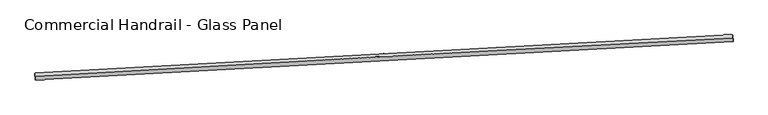
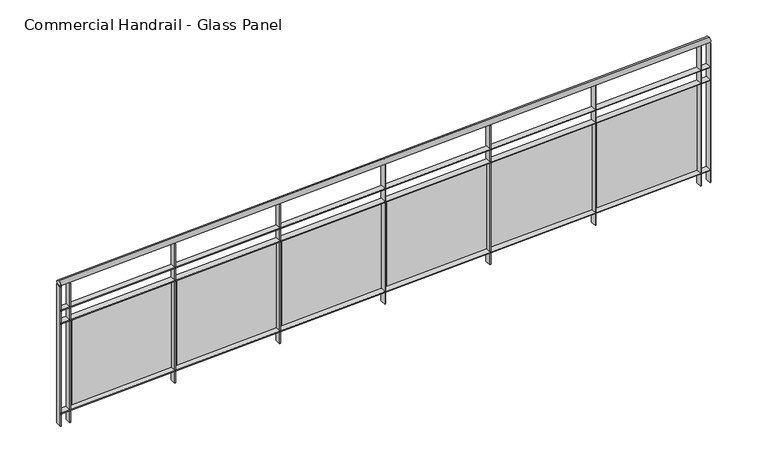
"""IFC4 building model written with IfcOpenShell, lengths in millimetres: railing geometry, Commercial Handrail - Glass Panel."""

from ifc_helpers import new_model, si_unit, point, frame, origin, place, context, project, spatial, polyline, circle_curve, ellipse_curve, trimmed, outline, extrude, source, transform, mapped, element, save
from ifc_brep_helpers import plane_surface, cylinder_surface, revolved_surface, advanced_brep


def commercial_handrail_glass_panel_aa71831e(model_context):
    return source(origin(), model_context, "Body", "SolidModel", [
        advanced_brep(
        [(75374.0222019, -10045.9404485, 9482.5), (70436.2083827, -10318.8107555, 9482.5), (70436.2083827, -10318.8107555, 9517.5), (75374.0222019, -10045.9404485, 9517.5)],
        [
            (0, 1, circle_curve(frame((107193.6387165, -630661.5572849, 9482.5), z_axis=(0.0, 0.0, 1.0), x_axis=(-0.05914967633209109, 0.9982491251134703, 0.0)), 621430.7941005)),
            (1, 2, ellipse_curve(frame((70436.2083827, -10318.8107555, 9500.0), z_axis=(0.9982491251134706, 0.059149676332084636, 0.0), x_axis=(0.059149676332084636, -0.9982491251134706, 0.0)), 25.0, 17.5)),
            (2, 3, circle_curve(frame((107193.6387165, -630661.5572849, 9517.5), z_axis=(0.0, 0.0, -1.0), x_axis=(-0.05914967633209109, 0.9982491251134703, 0.0)), 621430.7941005)),
            (3, 0, ellipse_curve(frame((75374.0222019, -10045.9404485, 9500.0), z_axis=(-0.9986882251864158, -0.05120379745690093, 0.0), x_axis=(0.051203797456900915, -0.9986882251864155, 0.0)), 25.0, 17.5)),
            (2, 1, ellipse_curve(frame((70436.2083827, -10318.8107555, 9500.0), z_axis=(0.9982491251134706, 0.059149676332084636, 0.0), x_axis=(0.059149676332084636, -0.9982491251134706, 0.0)), 25.0, 17.5)),
            (0, 3, ellipse_curve(frame((75374.0222019, -10045.9404485, 9500.0), z_axis=(-0.9986882251864158, -0.05120379745690093, 0.0), x_axis=(0.051203797456900915, -0.9986882251864155, 0.0)), 25.0, 17.5)),
        ],
        [
            revolved_surface(trimmed(ellipse_curve(frame((70436.2083827, -10318.8107555, 9500.0), z_axis=(-0.9982491251134703, -0.05914967633209109, 0.0), x_axis=(0.0, 0.0, -1.0)), 17.5, 25.0), [point((70436.2083827, -10318.8107555, 9517.5))], [point((70436.2083827, -10318.8107555, 9482.5))], True, "CARTESIAN"), (107193.6387165, -630661.5572849, 9500.0), (0.0, 0.0, -1.0)),
            revolved_surface(trimmed(ellipse_curve(frame((70436.2083827, -10318.8107555, 9500.0), z_axis=(-0.9982491251134703, -0.05914967633209109, 0.0), x_axis=(0.0, 0.0, -1.0)), 17.5, 25.0), [point((70436.2083827, -10318.8107555, 9482.5))], [point((70436.2083827, -10318.8107555, 9517.5))], True, "CARTESIAN"), (107193.6387165, -630661.5572849, 9500.0), (0.0, 0.0, -1.0)),
            plane_surface(frame((70436.2083827, -10318.8107555, 9500.0), z_axis=(-0.9982491251134703, -0.05914967633209109, 0.0), x_axis=(0.05914967633209109, -0.9982491251134703, 0.0))),
            plane_surface(frame((75374.0222019, -10045.9404485, 9500.0), z_axis=(0.9986882251864156, 0.05120379745690092, 0.0), x_axis=(0.05120379745690092, -0.9986882251864156, 0.0))),
        ],
        [
            (0, [[1, 2, 3, 4]]),
            (1, [[-3, 5, -1, 6]]),
            (2, [[-2, -5]]),
            (3, [[-6, -4]]),
        ],
    ),
        advanced_brep(
        [(75372.8701165, -10023.4699634, 9300.0), (70434.8775149, -10296.3501502, 9300.0), (70437.5392504, -10341.2713608, 9300.0), (75375.1742873, -10068.4109335, 9300.0), (75372.8701165, -10023.4699634, 9294.0), (70434.8775149, -10296.3501502, 9294.0), (75375.1742873, -10068.4109335, 9294.0), (70437.5392504, -10341.2713608, 9294.0)],
        [
            (0, 1, circle_curve(frame((107193.6387165, -630661.5572849, 9300.0), z_axis=(0.0, 0.0, 1.0), x_axis=(-0.05914967633209109, 0.9982491251134703, 0.0)), 621453.2941005)),
            (1, 2),
            (2, 3, circle_curve(frame((107193.6387165, -630661.5572849, 9300.0), z_axis=(0.0, 0.0, -1.0), x_axis=(-0.05914967633209109, 0.9982491251134703, 0.0)), 621408.2941005)),
            (3, 0),
            (4, 5, circle_curve(frame((107193.6387165, -630661.5572849, 9294.0), z_axis=(0.0, 0.0, 1.0), x_axis=(-0.05914967633209109, 0.9982491251134703, 0.0)), 621453.2941005)),
            (5, 1),
            (0, 4),
            (6, 7, circle_curve(frame((107193.6387165, -630661.5572849, 9294.0), z_axis=(0.0, 0.0, 1.0), x_axis=(-0.05914967633209109, 0.9982491251134703, 0.0)), 621408.2941005)),
            (7, 5),
            (4, 6),
            (2, 7),
            (6, 3),
        ],
        [
            plane_surface(frame((107193.6387165, -630661.5572849, 9300.0), z_axis=(0.0, 0.0, 1.0), x_axis=(-0.05914967633209109, 0.9982491251134703, 0.0))),
            cylinder_surface(frame((107193.6387165, -630661.5572849, 9300.0), z_axis=(0.0, 0.0, -1.0), x_axis=(-0.05914967633209109, 0.9982491251134703, 0.0)), 621453.2941005),
            plane_surface(frame((107193.6387165, -630661.5572849, 9294.0), z_axis=(0.0, 0.0, -1.0), x_axis=(-0.05914967633209109, 0.9982491251134703, 0.0))),
            revolved_surface(polyline([(70437.53925037856, -10341.271360821906, 9294.0), (70437.53925037856, -10341.271360821906, 9300.0)]), (107193.6387165, -630661.5572849, 9300.0), (0.0, 0.0, -1.0)),
            plane_surface(frame((70436.2083827, -10318.8107555, 9300.0), z_axis=(-0.9982491251134703, -0.05914967633209109, 0.0), x_axis=(0.05914967633209109, -0.9982491251134703, 0.0))),
            plane_surface(frame((75374.0222019, -10045.9404485, 9300.0), z_axis=(0.9986882251864156, 0.05120379745690092, 0.0), x_axis=(0.05120379745690092, -0.9986882251864156, 0.0))),
        ],
        [
            (0, [[1, 2, 3, 4]]),
            (1, [[5, 6, -1, 7]]),
            (2, [[8, 9, -5, 10]]),
            (3, [[-3, 11, -8, 12]]),
            (4, [[-2, -6, -9, -11]]),
            (5, [[-12, -10, -7, -4]]),
        ],
    ),
        advanced_brep(
        [(75372.8701165, -10023.4699634, 9200.0), (70434.8775149, -10296.3501502, 9200.0), (70437.5392504, -10341.2713608, 9200.0), (75375.1742873, -10068.4109335, 9200.0), (75372.8701165, -10023.4699634, 9194.0), (70434.8775149, -10296.3501502, 9194.0), (75375.1742873, -10068.4109335, 9194.0), (70437.5392504, -10341.2713608, 9194.0)],
        [
            (0, 1, circle_curve(frame((107193.6387165, -630661.5572849, 9200.0), z_axis=(0.0, 0.0, 1.0), x_axis=(-0.05914967633209109, 0.9982491251134703, 0.0)), 621453.2941005)),
            (1, 2),
            (2, 3, circle_curve(frame((107193.6387165, -630661.5572849, 9200.0), z_axis=(0.0, 0.0, -1.0), x_axis=(-0.05914967633209109, 0.9982491251134703, 0.0)), 621408.2941005)),
            (3, 0),
            (4, 5, circle_curve(frame((107193.6387165, -630661.5572849, 9194.0), z_axis=(0.0, 0.0, 1.0), x_axis=(-0.05914967633209109, 0.9982491251134703, 0.0)), 621453.2941005)),
            (5, 1),
            (0, 4),
            (6, 7, circle_curve(frame((107193.6387165, -630661.5572849, 9194.0), z_axis=(0.0, 0.0, 1.0), x_axis=(-0.05914967633209109, 0.9982491251134703, 0.0)), 621408.2941005)),
            (7, 5),
            (4, 6),
            (2, 7),
            (6, 3),
        ],
        [
            plane_surface(frame((107193.6387165, -630661.5572849, 9200.0), z_axis=(0.0, 0.0, 1.0), x_axis=(-0.05914967633209109, 0.9982491251134703, 0.0))),
            cylinder_surface(frame((107193.6387165, -630661.5572849, 9200.0), z_axis=(0.0, 0.0, -1.0), x_axis=(-0.05914967633209109, 0.9982491251134703, 0.0)), 621453.2941005),
            plane_surface(frame((107193.6387165, -630661.5572849, 9194.0), z_axis=(0.0, 0.0, -1.0), x_axis=(-0.05914967633209109, 0.9982491251134703, 0.0))),
            revolved_surface(polyline([(70437.53925037856, -10341.271360821906, 9194.0), (70437.53925037856, -10341.271360821906, 9200.0)]), (107193.6387165, -630661.5572849, 9200.0), (0.0, 0.0, -1.0)),
            plane_surface(frame((70436.2083827, -10318.8107555, 9200.0), z_axis=(-0.9982491251134703, -0.05914967633209109, 0.0), x_axis=(0.05914967633209109, -0.9982491251134703, 0.0))),
            plane_surface(frame((75374.0222019, -10045.9404485, 9200.0), z_axis=(0.9986882251864156, 0.05120379745690092, 0.0), x_axis=(0.05120379745690092, -0.9986882251864156, 0.0))),
        ],
        [
            (0, [[1, 2, 3, 4]]),
            (1, [[5, 6, -1, 7]]),
            (2, [[8, 9, -5, 10]]),
            (3, [[-3, 11, -8, 12]]),
            (4, [[-2, -6, -9, -11]]),
            (5, [[-12, -10, -7, -4]]),
        ],
    ),
        advanced_brep(
        [(75372.8701165, -10023.4699634, 8500.0), (70434.8775149, -10296.3501502, 8500.0), (70437.5392504, -10341.2713608, 8500.0), (75375.1742873, -10068.4109335, 8500.0), (75372.8701165, -10023.4699634, 8494.0), (70434.8775149, -10296.3501502, 8494.0), (75375.1742873, -10068.4109335, 8494.0), (70437.5392504, -10341.2713608, 8494.0)],
        [
            (0, 1, circle_curve(frame((107193.6387165, -630661.5572849, 8500.0), z_axis=(0.0, 0.0, 1.0), x_axis=(-0.05914967633209109, 0.9982491251134703, 0.0)), 621453.2941005)),
            (1, 2),
            (2, 3, circle_curve(frame((107193.6387165, -630661.5572849, 8500.0), z_axis=(0.0, 0.0, -1.0), x_axis=(-0.05914967633209109, 0.9982491251134703, 0.0)), 621408.2941005)),
            (3, 0),
            (4, 5, circle_curve(frame((107193.6387165, -630661.5572849, 8494.0), z_axis=(0.0, 0.0, 1.0), x_axis=(-0.05914967633209109, 0.9982491251134703, 0.0)), 621453.2941005)),
            (5, 1),
            (0, 4),
            (6, 7, circle_curve(frame((107193.6387165, -630661.5572849, 8494.0), z_axis=(0.0, 0.0, 1.0), x_axis=(-0.05914967633209109, 0.9982491251134703, 0.0)), 621408.2941005)),
            (7, 5),
            (4, 6),
            (2, 7),
            (6, 3),
        ],
        [
            plane_surface(frame((107193.6387165, -630661.5572849, 8500.0), z_axis=(0.0, 0.0, 1.0), x_axis=(-0.05914967633209109, 0.9982491251134703, 0.0))),
            cylinder_surface(frame((107193.6387165, -630661.5572849, 8500.0), z_axis=(0.0, 0.0, -1.0), x_axis=(-0.05914967633209109, 0.9982491251134703, 0.0)), 621453.2941005),
            plane_surface(frame((107193.6387165, -630661.5572849, 8494.0), z_axis=(0.0, 0.0, -1.0), x_axis=(-0.05914967633209109, 0.9982491251134703, 0.0))),
            revolved_surface(polyline([(70437.53925037856, -10341.271360821906, 8494.0), (70437.53925037856, -10341.271360821906, 8500.0)]), (107193.6387165, -630661.5572849, 8500.0), (0.0, 0.0, -1.0)),
            plane_surface(frame((70436.2083827, -10318.8107555, 8500.0), z_axis=(-0.9982491251134703, -0.05914967633209109, 0.0), x_axis=(0.05914967633209109, -0.9982491251134703, 0.0))),
            plane_surface(frame((75374.0222019, -10045.9404485, 8500.0), z_axis=(0.9986882251864156, 0.05120379745690092, 0.0), x_axis=(0.05120379745690092, -0.9986882251864156, 0.0))),
        ],
        [
            (0, [[1, 2, 3, 4]]),
            (1, [[5, 6, -1, 7]]),
            (2, [[8, 9, -5, 10]]),
            (3, [[-3, 11, -8, 12]]),
            (4, [[-2, -6, -9, -11]]),
            (5, [[-12, -10, -7, -4]]),
        ],
    ),
        extrude(outline(polyline([(75299.59607, -10072.2905153), (75297.286643, -10027.349815), (75303.2787363, -10027.0418914), (75305.5881633, -10071.9825917), (75299.59607, -10072.2905153)])), frame((0.0, 0.0, 8400.0), z_axis=(0.0, 0.0, 1.0), x_axis=(1.0, 0.0, 0.0)), (0.0, 0.0, 1.0), 1082.1192282),
        extrude(outline(polyline([(74522.1727493, -10084.0772121), (75281.1459809, -10044.5850151), (75281.7695419, -10056.568803), (74522.7963103, -10096.061), (74522.1727493, -10084.0772121)])), frame((0.0, 0.0, 8520.0), z_axis=(0.0, 0.0, 1.0), x_axis=(1.0, 0.0, 0.0)), (0.0, 0.0, 1.0), 660.0),
        extrude(outline(polyline([(74500.7060609, -10113.8635979), (74498.3387813, -10068.9259078), (74504.3304733, -10068.6102705), (74506.6977529, -10113.5479606), (74500.7060609, -10113.8635979)])), frame((0.0, 0.0, 8400.0), z_axis=(0.0, 0.0, 1.0), x_axis=(1.0, 0.0, 0.0)), (0.0, 0.0, 1.0), 1082.1192282),
        extrude(outline(polyline([(73723.298558, -10126.6511019), (74482.2203204, -10086.1818723), (74482.8593083, -10098.1648475), (73723.9375458, -10138.634077), (73723.298558, -10126.6511019)])), frame((0.0, 0.0, 8520.0), z_axis=(0.0, 0.0, 1.0), x_axis=(1.0, 0.0, 0.0)), (0.0, 0.0, 1.0), 660.0),
        extrude(outline(polyline([(73701.8702329, -10156.4650981), (73699.4451047, -10111.5304928), (73705.4363855, -10111.2071424), (73707.8615137, -10156.1417477), (73701.8702329, -10156.4650981)])), frame((0.0, 0.0, 8400.0), z_axis=(0.0, 0.0, 1.0), x_axis=(1.0, 0.0, 0.0)), (0.0, 0.0, 1.0), 1082.1192282),
        extrude(outline(polyline([(72924.4798363, -10170.2533881), (73683.3488717, -10128.8071931), (73684.0032853, -10140.7893358), (72925.1342499, -10182.2355307), (72924.4798363, -10170.2533881)])), frame((0.0, 0.0, 8520.0), z_axis=(0.0, 0.0, 1.0), x_axis=(1.0, 0.0, 0.0)), (0.0, 0.0, 1.0), 660.0),
        extrude(outline(polyline([(72903.0899101, -10200.0949454), (72900.6069372, -10155.1634993), (72906.5977967, -10154.8324363), (72909.0807695, -10199.7638824), (72903.0899101, -10200.0949454)])), frame((0.0, 0.0, 8400.0), z_axis=(0.0, 0.0, 1.0), x_axis=(1.0, 0.0, 0.0)), (0.0, 0.0, 1.0), 1082.1192282),
        extrude(outline(polyline([(72125.7179079, -10214.8839986), (72884.5329587, -10172.4609069), (72885.202797, -10184.4421971), (72126.3877462, -10226.8652888), (72125.7179079, -10214.8839986)])), frame((0.0, 0.0, 8520.0), z_axis=(0.0, 0.0, 1.0), x_axis=(1.0, 0.0, 0.0)), (0.0, 0.0, 1.0), 660.0),
        extrude(outline(polyline([(72104.366416, -10244.7530675), (72101.8256027, -10199.8248551), (72107.816031, -10199.48608), (72110.3568443, -10244.4142924), (72104.366416, -10244.7530675)])), frame((0.0, 0.0, 8400.0), z_axis=(0.0, 0.0, 1.0), x_axis=(1.0, 0.0, 0.0)), (0.0, 0.0, 1.0), 1082.1192282),
        extrude(outline(polyline([(71327.0140968, -10260.5428593), (72085.7739053, -10217.1429412), (72086.4591672, -10229.1233592), (71327.6993586, -10272.5232773), (71327.0140968, -10260.5428593)])), frame((0.0, 0.0, 8520.0), z_axis=(0.0, 0.0, 1.0), x_axis=(1.0, 0.0, 0.0)), (0.0, 0.0, 1.0), 660.0),
        extrude(outline(polyline([(71305.7010745, -10290.4393904), (71303.1024249, -10245.5144861), (71309.0924121, -10245.1679995), (71311.6910617, -10290.0929037), (71305.7010745, -10290.4393904)])), frame((0.0, 0.0, 8400.0), z_axis=(0.0, 0.0, 1.0), x_axis=(1.0, 0.0, 0.0)), (0.0, 0.0, 1.0), 1082.1192282),
        extrude(outline(polyline([(70528.3697264, -10307.2298946), (71287.0730353, -10262.853222), (71287.7737196, -10274.8327479), (70529.0704107, -10319.2094206), (70528.3697264, -10307.2298946)])), frame((0.0, 0.0, 8520.0), z_axis=(0.0, 0.0, 1.0), x_axis=(1.0, 0.0, 0.0)), (0.0, 0.0, 1.0), 660.0),
        extrude(outline(polyline([(70507.0952092, -10337.1538383), (70504.4387276, -10292.2323167), (70510.4282638, -10291.8781191), (70513.0847454, -10336.7996407), (70507.0952092, -10337.1538383)])), frame((0.0, 0.0, 8400.0), z_axis=(0.0, 0.0, 1.0), x_axis=(1.0, 0.0, 0.0)), (0.0, 0.0, 1.0), 1082.1192282),
        extrude(outline(polyline([(75372.1782227, -10068.5645449), (75369.8740518, -10023.6235748), (75375.8661811, -10023.316352), (75378.170352, -10068.2573221), (75372.1782227, -10068.5645449)])), frame((0.0, 0.0, 8400.0), z_axis=(0.0, 0.0, 1.0), x_axis=(1.0, 0.0, 0.0)), (0.0, 0.0, 1.0), 1082.1192282),
        extrude(outline(polyline([(70434.544503, -10341.4488098), (70431.8827676, -10296.5275992), (70437.8722623, -10296.1727011), (70440.5339978, -10341.0939118), (70434.544503, -10341.4488098)])), frame((0.0, 0.0, 8400.0), z_axis=(0.0, 0.0, 1.0), x_axis=(1.0, 0.0, 0.0)), (0.0, 0.0, 1.0), 1082.1192282),
    ])


if __name__ == "__main__":
    model = new_model("IFC4")
    model_context = context("Model", 3, world=origin())
    ifc_project = project(units=[si_unit("LENGTHUNIT", "METRE", prefix="MILLI")], contexts=[model_context])
    site = spatial("IfcSite", under=ifc_project)
    building = spatial("IfcBuilding", under=site)
    placement = place(None, origin())
    commercial_handrail_glass_panel_shape = commercial_handrail_glass_panel_aa71831e(model_context)
    element("IfcRailing", 1, ObjectType="Commercial Handrail - Glass Panel", at=placement, inside=building, context=model_context, shape_type="MappedRepresentation", body=[
        mapped(commercial_handrail_glass_panel_shape, transform((0.0, 0.0, 0.0), x_axis=(1.0, 0.0, 0.0), y_axis=(0.0, 1.0, 0.0), z_axis=(0.0, 0.0, 1.0))),
    ])
    save(model, "model.ifc")
